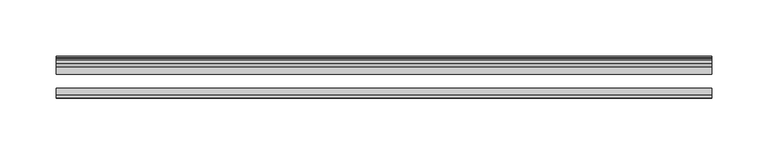
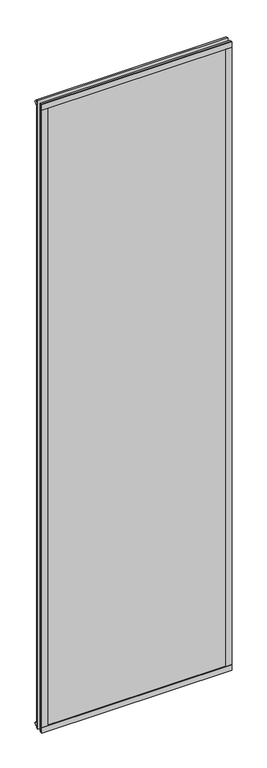
"""IFC4 building model written with IfcOpenShell, lengths in millimetres: plate geometry."""

import ifcopenshell
import ifcopenshell.guid

model = None  # the IFC model being written
_history = None  # IfcOwnerHistory: only IFC2X3 demands one
_inside = {}  # id of a spatial element -> (the spatial element, [elements in it])
_under = {}  # id of a project, library or spatial element -> (it, [spatial elements below it])
_declared = {}  # id of a project -> (the project, [libraries it declares])
_typed = {}  # id of a type object -> (the type object, [elements of that type])
_made_of = {}  # id of a material, layer set ... -> (it, [elements and type objects made of it])


def new_model(schema):
    """Start an empty IFC model of exactly this schema.

    Asked for "IFC4X3", IfcOpenShell would pick the latest addendum, in which some entities
    have other attributes; the version numbers below select the first issue.
    IFC2X3 requires an IfcOwnerHistory on every rooted entity: one is made here for all.
    """
    global model, _history
    if schema == "IFC4X3":
        model = ifcopenshell.file(schema_version=(4, 3, 0, 0))
    else:
        model = ifcopenshell.file(schema=schema)
    _inside.clear()
    _under.clear()
    _declared.clear()
    _typed.clear()
    _made_of.clear()
    _history = None
    if model.schema == "IFC2X3":
        org = make("IfcOrganization", Name="unknown")
        user = make(
            "IfcPersonAndOrganization",
            ThePerson=make("IfcPerson", FamilyName="unknown"),
            TheOrganization=org,
        )
        app = make(
            "IfcApplication",
            ApplicationDeveloper=org,
            Version="unknown",
            ApplicationFullName="unknown",
            ApplicationIdentifier="unknown",
        )
        _history = make(
            "IfcOwnerHistory",
            OwningUser=user,
            OwningApplication=app,
            ChangeAction="ADDED",
            CreationDate=0,
        )
    return model


def make(cls, **values):
    """One entity of the class cls with the attributes given. An attribute that is None is left unset."""
    return model.create_entity(
        cls, **{name: value for name, value in values.items() if value is not None}
    )


def rooted(cls, **values):
    """An entity with a GlobalId (a new one), such as an element, a storey or a relation."""
    return make(cls, GlobalId=ifcopenshell.guid.new(), OwnerHistory=_history, **values)


def si_unit(unit_type, name, prefix=None):
    """IfcSIUnit, for example si_unit("LENGTHUNIT", "METRE", prefix="MILLI")."""
    return make("IfcSIUnit", UnitType=unit_type, Prefix=prefix, Name=name)


def assignment(units):
    """IfcUnitAssignment: the units of a project."""
    return None if units is None else make("IfcUnitAssignment", Units=units)


def point(xyz):
    """IfcCartesianPoint."""
    return None if xyz is None else make("IfcCartesianPoint", Coordinates=xyz)


def direction(xyz):
    """IfcDirection."""
    return None if xyz is None else make("IfcDirection", DirectionRatios=xyz)


def frame(location, z_axis=None, x_axis=None):
    """IfcAxis2Placement3D, a coordinate frame: its origin and axes. An axis left out is left unset."""
    return make(
        "IfcAxis2Placement3D",
        Location=point(location),
        Axis=direction(z_axis),
        RefDirection=direction(x_axis),
    )


def origin():
    """The frame at (0, 0, 0) with its axes left unset."""
    return frame((0.0, 0.0, 0.0))


def origin_with_axes():
    """The frame at (0, 0, 0) with the z axis (0, 0, 1) and the x axis (1, 0, 0) written out."""
    return frame((0.0, 0.0, 0.0), z_axis=(0.0, 0.0, 1.0), x_axis=(1.0, 0.0, 0.0))


def place(relative_to, where):
    """IfcLocalPlacement: puts the frame where relative to a parent placement (None: the world)."""
    return make(
        "IfcLocalPlacement", PlacementRelTo=relative_to, RelativePlacement=where
    )


def context(
    kind, dimensions, precision=None, world=None, true_north=None, identifier=None
):
    """IfcGeometricRepresentationContext, for example the 3D "Model" context."""
    return make(
        "IfcGeometricRepresentationContext",
        ContextIdentifier=identifier,
        ContextType=kind,
        CoordinateSpaceDimension=dimensions,
        Precision=precision,
        WorldCoordinateSystem=world,
        TrueNorth=true_north,
    )


def project(units=None, contexts=None):
    """IfcProject with its units and contexts."""
    return rooted(
        "IfcProject",
        Name="project",
        RepresentationContexts=contexts,
        UnitsInContext=assignment(units),
    )


def spatial(cls, under=None, at=None, **own):
    """A site, building, storey or space (cls), placed at a placement, below another one or the project."""
    s = rooted(cls, ObjectPlacement=at, **own)
    if under is not None:
        _under.setdefault(under.id(), (under, []))[1].append(s)
    return s


def polyline(points):
    """IfcPolyline through the points."""
    return make("IfcPolyline", Points=[point(p) for p in points])


def outline(outer, holes=None, kind="AREA"):
    """IfcArbitraryClosedProfileDef: a profile drawn as a closed curve; with holes, ...WithVoids."""
    if holes is None:
        return make("IfcArbitraryClosedProfileDef", ProfileType=kind, OuterCurve=outer)
    return make(
        "IfcArbitraryProfileDefWithVoids",
        ProfileType=kind,
        OuterCurve=outer,
        InnerCurves=holes,
    )


def extrude(swept, where, along, depth):
    """IfcExtrudedAreaSolid: the profile swept, set in the frame where, extruded along a direction by depth."""
    return make(
        "IfcExtrudedAreaSolid",
        SweptArea=swept,
        Position=where,
        ExtrudedDirection=direction(along),
        Depth=depth,
    )


def shape(context_of_items, identifier, shape_type, items):
    """IfcShapeRepresentation: the items that make up one representation, for example the "Body"."""
    return make(
        "IfcShapeRepresentation",
        ContextOfItems=context_of_items,
        RepresentationIdentifier=identifier,
        RepresentationType=shape_type,
        Items=items,
    )


def source(mapping_origin, context_of_items, identifier, shape_type, items):
    """IfcRepresentationMap: a shape defined once, which mapped items show again and again."""
    return make(
        "IfcRepresentationMap",
        MappingOrigin=mapping_origin,
        MappedRepresentation=shape(context_of_items, identifier, shape_type, items),
    )


def transform(
    local_origin,
    x_axis=None,
    y_axis=None,
    z_axis=None,
    scale=None,
    scale2=None,
    scale3=None,
    uniform=True,
):
    """IfcCartesianTransformationOperator3D, or its non-uniform kind. x_axis, y_axis, z_axis: its Axis1, 2, 3."""
    if uniform:
        return make(
            "IfcCartesianTransformationOperator3D",
            Axis1=direction(x_axis),
            Axis2=direction(y_axis),
            LocalOrigin=point(local_origin),
            Scale=scale,
            Axis3=direction(z_axis),
        )
    return make(
        "IfcCartesianTransformationOperator3DnonUniform",
        Axis1=direction(x_axis),
        Axis2=direction(y_axis),
        LocalOrigin=point(local_origin),
        Scale=scale,
        Axis3=direction(z_axis),
        Scale2=scale2,
        Scale3=scale3,
    )


def mapped(mapping_source, mapping_target):
    """IfcMappedItem: shows the shape of a source again, moved by a transform."""
    return make(
        "IfcMappedItem", MappingSource=mapping_source, MappingTarget=mapping_target
    )


def made_of(thing, what):
    """Note that an element or type object is made of a material, layer set ...; save() writes the relation."""
    if what is not None:
        _made_of.setdefault(what.id(), (what, []))[1].append(thing)
    return thing


def element(
    cls,
    number,
    at=None,
    inside=None,
    cuts=None,
    type_object=None,
    material=None,
    context=None,
    identifier="Body",
    shape_type=None,
    held_by="IfcProductDefinitionShape",
    body=None,
    shapes=None,
    **own,
):
    """One element of the class cls, such as IfcWall. Its Tag is "e" and its number.

    at: its placement. inside: the storey or other place that contains it. cuts: it is an
    opening in that element (IfcRelVoidsElement). A single representation is given by context,
    identifier, shape_type and body (its items); several are given by shapes. held_by: the class
    of the entity that holds the representations. save() writes the other relations.
    """
    e = rooted(cls, Tag="e%d" % number, ObjectPlacement=at, **own)
    if body is not None:
        shapes = [shape(context, identifier, shape_type, body)]
    if shapes is not None:
        e.Representation = make(held_by, Representations=shapes)
    if inside is not None:
        _inside.setdefault(inside.id(), (inside, []))[1].append(e)
    if cuts is not None:
        rooted(
            "IfcRelVoidsElement", RelatingBuildingElement=cuts, RelatedOpeningElement=e
        )
    if type_object is not None:
        _typed.setdefault(type_object.id(), (type_object, []))[1].append(e)
    return made_of(e, material)


def aggregate(whole, parts):
    """IfcRelAggregates: a whole, such as a stair, and the parts it consists of."""
    return rooted("IfcRelAggregates", RelatingObject=whole, RelatedObjects=parts)


def save(model, path):
    """Write the relations noted so far, then the file.

    IfcRelAggregates (storeys below a building ...), IfcRelContainedInSpatialStructure (elements
    in a storey), IfcRelDefinesByType, IfcRelAssociatesMaterial and IfcRelDeclares: one each for
    every whole, place, type object, material and project.
    """
    for whole, parts in _under.values():
        aggregate(whole, parts)
    for where, things in _inside.values():
        rooted(
            "IfcRelContainedInSpatialStructure",
            RelatedElements=things,
            RelatingStructure=where,
        )
    for kind, things in _typed.values():
        rooted("IfcRelDefinesByType", RelatedObjects=things, RelatingType=kind)
    for what, things in _made_of.values():
        rooted("IfcRelAssociatesMaterial", RelatedObjects=things, RelatingMaterial=what)
    for by, libraries in _declared.values():
        rooted("IfcRelDeclares", RelatingContext=by, RelatedDefinitions=libraries)
    model.write(path)


def plate_33956c1f(model_context):
    return source(origin(), model_context, "Body", "SweptSolid", [
        extrude(outline(polyline([(290.5124995, -44.4293643), (290.5124995, -46.7153636), (-290.5124995, -46.7153636), (-290.5124995, -44.4293643), (290.5124995, -44.4293643)])), frame((0.0, 0.0, 1993.8873003), z_axis=(0.0, 0.0, 1.0), x_axis=(1.0, 0.0, 0.0)), (0.0, 0.0, 1.0), 17.4752),
        extrude(outline(polyline([(290.5124995, -44.4293643), (290.5124995, -46.7153636), (-290.5124995, -46.7153636), (-290.5124995, -44.4293643), (290.5124995, -44.4293643)])), frame((0.0, 0.0, -17.4625), z_axis=(0.0, 0.0, 1.0), x_axis=(1.0, 0.0, 0.0)), (0.0, 0.0, 1.0), 17.4752),
        extrude(outline(polyline([(-16.311566, -12.4459992), (-19.5373643, -9.7597211), (-19.5373643, 1.1616223), (-13.365166, -0.5079992), (-13.365166, -5.7149992), (-10.9849691, -6.0959992), (-11.4449023, -4.6804701), (-10.6436881, -4.6804701), (-9.936166, -6.8579992), (-10.6436881, -9.0355282), (-11.4449023, -9.0355282), (-10.9849691, -7.6199992), (-13.365166, -8.0009992), (-13.365166, -12.4459992), (-16.311566, -12.4459992)])), frame((-290.5124995, 0.0, 0.0), z_axis=(1.0, 0.0, 0.0), x_axis=(0.0, 1.0, 0.0)), (0.0, 0.0, 1.0), 581.0249991),
        extrude(outline(polyline([(-16.311566, 2006.3459995), (-13.365166, 2006.3459995), (-13.365166, 2001.9009995), (-10.9849691, 2001.5199995), (-11.4449023, 2002.9355285), (-10.6436881, 2002.9355285), (-9.936166, 2000.7579995), (-10.6436881, 1998.5804704), (-11.4449023, 1998.5804704), (-10.9849691, 1999.9959995), (-13.365166, 1999.6149995), (-13.365166, 1994.4079995), (-19.5373643, 1992.738378), (-19.5373643, 2003.6597214), (-16.311566, 2006.3459995)])), frame((-290.5124995, 0.0, 0.0), z_axis=(1.0, 0.0, 0.0), x_axis=(0.0, 1.0, 0.0)), (0.0, 0.0, 1.0), 581.0249991),
        extrude(outline(polyline([(-271.8883772, -19.5373643), (-282.8097207, -19.5373643), (-285.4959987, -16.311566), (-285.4959987, -13.365166), (-281.0509987, -13.365166), (-280.6699987, -10.9849691), (-282.0855278, -11.4449023), (-282.0855278, -10.6436881), (-279.9079987, -9.936166), (-277.7304697, -10.6436881), (-277.7304697, -11.4449023), (-279.1459987, -10.9849691), (-278.7649987, -13.365166), (-273.5579987, -13.365166), (-271.8883772, -19.5373643)])), origin_with_axes(), (0.0, 0.0, 1.0), 1993.9000003),
        extrude(outline(polyline([(-273.0372995, -44.4293643), (-273.0372995, -46.7153636), (-290.5124995, -46.7153636), (-290.5124995, -44.4293643), (-273.0372995, -44.4293643)])), origin_with_axes(), (0.0, 0.0, 1.0), 1993.9000003),
        extrude(outline(polyline([(271.9010774, -19.5373643), (273.5706989, -13.365166), (278.7776989, -13.365166), (279.1586989, -10.9849691), (277.7431699, -11.4449023), (277.7431699, -10.6436881), (279.9206989, -9.936166), (282.098228, -10.6436881), (282.098228, -11.4449023), (280.6826989, -10.9849691), (281.0636989, -13.365166), (285.5086989, -13.365166), (285.5086989, -16.311566), (282.8224209, -19.5373643), (271.9010774, -19.5373643)])), origin_with_axes(), (0.0, 0.0, 1.0), 1993.9000003),
        extrude(outline(polyline([(290.5251998, -46.7153636), (273.0499993, -46.7153636), (273.0499993, -44.4293643), (290.5251998, -44.4293643), (290.5251998, -46.7153636)])), origin_with_axes(), (0.0, 0.0, 1.0), 1993.9000003),
        extrude(outline(polyline([(290.5124995, -19.5373643), (290.5124995, -25.8250158), (-290.5124995, -25.8250158), (-290.5124995, -19.5373643), (290.5124995, -19.5373643)])), frame((0.0, 0.0, -17.4497998), z_axis=(0.0, 0.0, 1.0), x_axis=(1.0, 0.0, 0.0)), (0.0, 0.0, 1.0), 2028.8123001),
        extrude(outline(polyline([(-290.5124995, -44.4293643), (-290.5124995, -38.1186142), (290.5124995, -38.1186142), (290.5124995, -44.4293643), (-290.5124995, -44.4293643)])), frame((0.0, 0.0, -17.4497998), z_axis=(0.0, 0.0, 1.0), x_axis=(1.0, 0.0, 0.0)), (0.0, 0.0, 1.0), 2028.8123001),
    ])


if __name__ == "__main__":
    model = new_model("IFC4")
    model_context = context("Model", 3, world=origin())
    ifc_project = project(units=[si_unit("LENGTHUNIT", "METRE", prefix="MILLI")], contexts=[model_context])
    site = spatial("IfcSite", under=ifc_project)
    building = spatial("IfcBuilding", under=site)
    placement = place(None, origin())
    plate_shape = plate_33956c1f(model_context)
    element("IfcPlate", 1, at=placement, inside=building, context=model_context, shape_type="MappedRepresentation", body=[
        mapped(plate_shape, transform((0.0, 0.0, 0.0), x_axis=(1.0, 0.0, 0.0), y_axis=(0.0, 1.0, 0.0), z_axis=(0.0, 0.0, 1.0))),
    ])
    save(model, "model.ifc")
